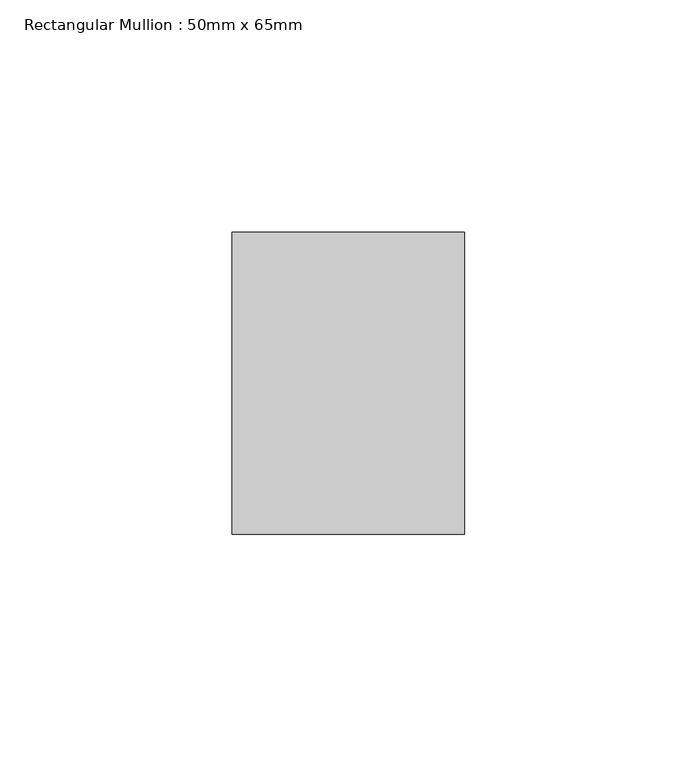
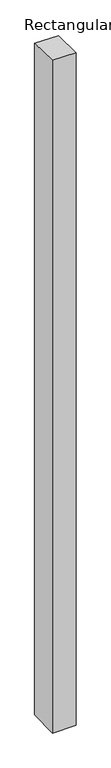
"""IFC4 building model written with IfcOpenShell, lengths in millimetres: member geometry, Rectangular Mullion : 50mm x 65mm."""

from ifc_helpers import new_model, si_unit, origin, place, context, project, spatial, faceted_brep, source, transform, mapped, element, save


def rectangular_mullion_50mm_x_65mm_f0954a20(model_context):
    return source(origin(), model_context, "Body", "Brep", [
        faceted_brep([(-25.0, 32.5, -0.7127049), (25.0, 32.5, -0.7127105), (25.0, 32.5, -1499.1021813), (-25.0, 32.5, -1499.1021885), (-25.0, -32.5, 0.7127105), (-25.0, -32.5, -1500.8981152), (25.0, -32.5, 0.7127049), (25.0, -32.5, -1500.898108)], [[[0, 1, 2, 3]], [[4, 0, 3, 5]], [[6, 4, 5, 7]], [[1, 6, 7, 2]], [[1, 0, 4, 6]], [[2, 7, 5, 3]]]),
    ])


if __name__ == "__main__":
    model = new_model("IFC4")
    model_context = context("Model", 3, world=origin())
    ifc_project = project(units=[si_unit("LENGTHUNIT", "METRE", prefix="MILLI")], contexts=[model_context])
    site = spatial("IfcSite", under=ifc_project)
    building = spatial("IfcBuilding", under=site)
    placement = place(None, origin())
    rectangular_mullion_50mm_x_65mm_shape = rectangular_mullion_50mm_x_65mm_f0954a20(model_context)
    element("IfcMember", 1, ObjectType="Rectangular Mullion : 50mm x 65mm", at=placement, inside=building, context=model_context, shape_type="MappedRepresentation", body=[
        mapped(rectangular_mullion_50mm_x_65mm_shape, transform((0.0, 0.0, 0.0), x_axis=(1.0, 0.0, 0.0), y_axis=(0.0, 1.0, 0.0), z_axis=(0.0, 0.0, 1.0))),
    ])
    save(model, "model.ifc")
